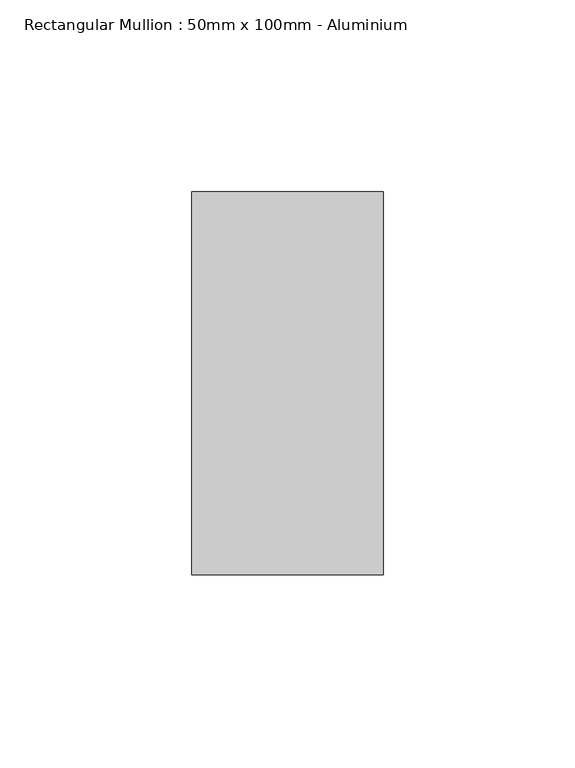
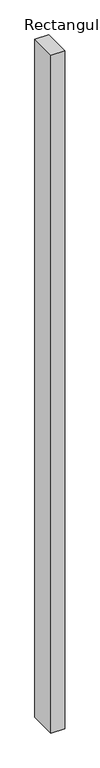
"""IFC4 building model written with IfcOpenShell, lengths in millimetres: member geometry, Rectangular Mullion : 50mm x 100mm - Aluminium."""

from ifc_helpers import new_model, si_unit, frame, origin, place, context, project, spatial, polyline, outline, extrude, source, transform, mapped, element, save


def rectangular_mullion_50mm_x_100mm_aluminium_e7c47ca9(model_context):
    return source(origin(), model_context, "Body", "SweptSolid", [
        extrude(outline(polyline([(0.0, 50.0), (0.0, -50.0), (-50.0, -50.0), (-50.0, 50.0), (0.0, 50.0)])), frame((0.0, 0.0, -2600.0), z_axis=(0.0, 0.0, 1.0), x_axis=(1.0, 0.0, 0.0)), (0.0, 0.0, 1.0), 2600.0),
    ])


if __name__ == "__main__":
    model = new_model("IFC4")
    model_context = context("Model", 3, world=origin())
    ifc_project = project(units=[si_unit("LENGTHUNIT", "METRE", prefix="MILLI")], contexts=[model_context])
    site = spatial("IfcSite", under=ifc_project)
    building = spatial("IfcBuilding", under=site)
    placement = place(None, origin())
    rectangular_mullion_50mm_x_100mm_aluminium_shape = rectangular_mullion_50mm_x_100mm_aluminium_e7c47ca9(model_context)
    element("IfcMember", 1, ObjectType="Rectangular Mullion : 50mm x 100mm - Aluminium", at=placement, inside=building, context=model_context, shape_type="MappedRepresentation", body=[
        mapped(rectangular_mullion_50mm_x_100mm_aluminium_shape, transform((0.0, 0.0, 0.0), x_axis=(1.0, 0.0, 0.0), y_axis=(0.0, 1.0, 0.0), z_axis=(0.0, 0.0, 1.0))),
    ])
    save(model, "model.ifc")
